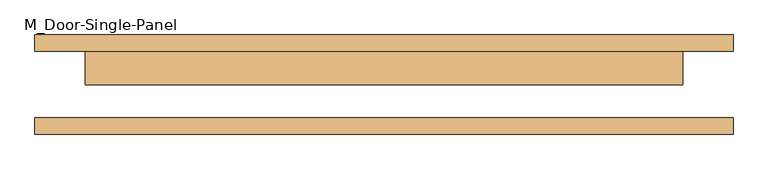
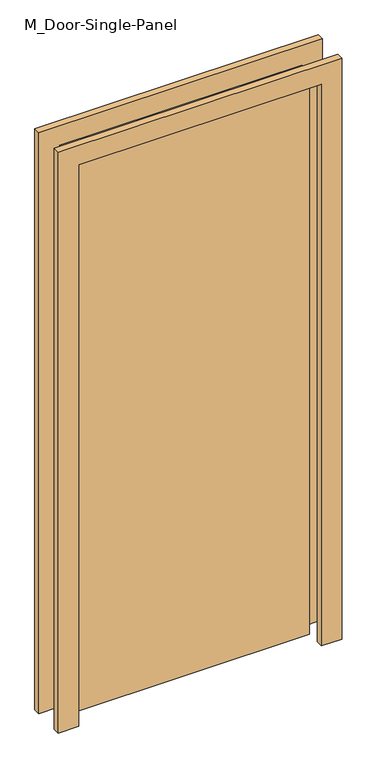
"""IFC4 building model written with IfcOpenShell, lengths in millimetres: door geometry, M_Door-Single-Panel."""

import ifcopenshell
import ifcopenshell.guid

model = None  # the IFC model being written
_history = None  # IfcOwnerHistory: only IFC2X3 demands one
_inside = {}  # id of a spatial element -> (the spatial element, [elements in it])
_under = {}  # id of a project, library or spatial element -> (it, [spatial elements below it])
_declared = {}  # id of a project -> (the project, [libraries it declares])
_typed = {}  # id of a type object -> (the type object, [elements of that type])
_made_of = {}  # id of a material, layer set ... -> (it, [elements and type objects made of it])


def new_model(schema):
    """Start an empty IFC model of exactly this schema.

    Asked for "IFC4X3", IfcOpenShell would pick the latest addendum, in which some entities
    have other attributes; the version numbers below select the first issue.
    IFC2X3 requires an IfcOwnerHistory on every rooted entity: one is made here for all.
    """
    global model, _history
    if schema == "IFC4X3":
        model = ifcopenshell.file(schema_version=(4, 3, 0, 0))
    else:
        model = ifcopenshell.file(schema=schema)
    _inside.clear()
    _under.clear()
    _declared.clear()
    _typed.clear()
    _made_of.clear()
    _history = None
    if model.schema == "IFC2X3":
        org = make("IfcOrganization", Name="unknown")
        user = make(
            "IfcPersonAndOrganization",
            ThePerson=make("IfcPerson", FamilyName="unknown"),
            TheOrganization=org,
        )
        app = make(
            "IfcApplication",
            ApplicationDeveloper=org,
            Version="unknown",
            ApplicationFullName="unknown",
            ApplicationIdentifier="unknown",
        )
        _history = make(
            "IfcOwnerHistory",
            OwningUser=user,
            OwningApplication=app,
            ChangeAction="ADDED",
            CreationDate=0,
        )
    return model


def make(cls, **values):
    """One entity of the class cls with the attributes given. An attribute that is None is left unset."""
    return model.create_entity(
        cls, **{name: value for name, value in values.items() if value is not None}
    )


def rooted(cls, **values):
    """An entity with a GlobalId (a new one), such as an element, a storey or a relation."""
    return make(cls, GlobalId=ifcopenshell.guid.new(), OwnerHistory=_history, **values)


def si_unit(unit_type, name, prefix=None):
    """IfcSIUnit, for example si_unit("LENGTHUNIT", "METRE", prefix="MILLI")."""
    return make("IfcSIUnit", UnitType=unit_type, Prefix=prefix, Name=name)


def assignment(units):
    """IfcUnitAssignment: the units of a project."""
    return None if units is None else make("IfcUnitAssignment", Units=units)


def point(xyz):
    """IfcCartesianPoint."""
    return None if xyz is None else make("IfcCartesianPoint", Coordinates=xyz)


def direction(xyz):
    """IfcDirection."""
    return None if xyz is None else make("IfcDirection", DirectionRatios=xyz)


def frame(location, z_axis=None, x_axis=None):
    """IfcAxis2Placement3D, a coordinate frame: its origin and axes. An axis left out is left unset."""
    return make(
        "IfcAxis2Placement3D",
        Location=point(location),
        Axis=direction(z_axis),
        RefDirection=direction(x_axis),
    )


def origin():
    """The frame at (0, 0, 0) with its axes left unset."""
    return frame((0.0, 0.0, 0.0))


def origin_with_axes():
    """The frame at (0, 0, 0) with the z axis (0, 0, 1) and the x axis (1, 0, 0) written out."""
    return frame((0.0, 0.0, 0.0), z_axis=(0.0, 0.0, 1.0), x_axis=(1.0, 0.0, 0.0))


def place(relative_to, where):
    """IfcLocalPlacement: puts the frame where relative to a parent placement (None: the world)."""
    return make(
        "IfcLocalPlacement", PlacementRelTo=relative_to, RelativePlacement=where
    )


def context(
    kind, dimensions, precision=None, world=None, true_north=None, identifier=None
):
    """IfcGeometricRepresentationContext, for example the 3D "Model" context."""
    return make(
        "IfcGeometricRepresentationContext",
        ContextIdentifier=identifier,
        ContextType=kind,
        CoordinateSpaceDimension=dimensions,
        Precision=precision,
        WorldCoordinateSystem=world,
        TrueNorth=true_north,
    )


def project(units=None, contexts=None):
    """IfcProject with its units and contexts."""
    return rooted(
        "IfcProject",
        Name="project",
        RepresentationContexts=contexts,
        UnitsInContext=assignment(units),
    )


def spatial(cls, under=None, at=None, **own):
    """A site, building, storey or space (cls), placed at a placement, below another one or the project."""
    s = rooted(cls, ObjectPlacement=at, **own)
    if under is not None:
        _under.setdefault(under.id(), (under, []))[1].append(s)
    return s


def polyline(points):
    """IfcPolyline through the points."""
    return make("IfcPolyline", Points=[point(p) for p in points])


def outline(outer, holes=None, kind="AREA"):
    """IfcArbitraryClosedProfileDef: a profile drawn as a closed curve; with holes, ...WithVoids."""
    if holes is None:
        return make("IfcArbitraryClosedProfileDef", ProfileType=kind, OuterCurve=outer)
    return make(
        "IfcArbitraryProfileDefWithVoids",
        ProfileType=kind,
        OuterCurve=outer,
        InnerCurves=holes,
    )


def extrude(swept, where, along, depth):
    """IfcExtrudedAreaSolid: the profile swept, set in the frame where, extruded along a direction by depth."""
    return make(
        "IfcExtrudedAreaSolid",
        SweptArea=swept,
        Position=where,
        ExtrudedDirection=direction(along),
        Depth=depth,
    )


def shape(context_of_items, identifier, shape_type, items):
    """IfcShapeRepresentation: the items that make up one representation, for example the "Body"."""
    return make(
        "IfcShapeRepresentation",
        ContextOfItems=context_of_items,
        RepresentationIdentifier=identifier,
        RepresentationType=shape_type,
        Items=items,
    )


def source(mapping_origin, context_of_items, identifier, shape_type, items):
    """IfcRepresentationMap: a shape defined once, which mapped items show again and again."""
    return make(
        "IfcRepresentationMap",
        MappingOrigin=mapping_origin,
        MappedRepresentation=shape(context_of_items, identifier, shape_type, items),
    )


def transform(
    local_origin,
    x_axis=None,
    y_axis=None,
    z_axis=None,
    scale=None,
    scale2=None,
    scale3=None,
    uniform=True,
):
    """IfcCartesianTransformationOperator3D, or its non-uniform kind. x_axis, y_axis, z_axis: its Axis1, 2, 3."""
    if uniform:
        return make(
            "IfcCartesianTransformationOperator3D",
            Axis1=direction(x_axis),
            Axis2=direction(y_axis),
            LocalOrigin=point(local_origin),
            Scale=scale,
            Axis3=direction(z_axis),
        )
    return make(
        "IfcCartesianTransformationOperator3DnonUniform",
        Axis1=direction(x_axis),
        Axis2=direction(y_axis),
        LocalOrigin=point(local_origin),
        Scale=scale,
        Axis3=direction(z_axis),
        Scale2=scale2,
        Scale3=scale3,
    )


def mapped(mapping_source, mapping_target):
    """IfcMappedItem: shows the shape of a source again, moved by a transform."""
    return make(
        "IfcMappedItem", MappingSource=mapping_source, MappingTarget=mapping_target
    )


def made_of(thing, what):
    """Note that an element or type object is made of a material, layer set ...; save() writes the relation."""
    if what is not None:
        _made_of.setdefault(what.id(), (what, []))[1].append(thing)
    return thing


def element(
    cls,
    number,
    at=None,
    inside=None,
    cuts=None,
    type_object=None,
    material=None,
    context=None,
    identifier="Body",
    shape_type=None,
    held_by="IfcProductDefinitionShape",
    body=None,
    shapes=None,
    **own,
):
    """One element of the class cls, such as IfcWall. Its Tag is "e" and its number.

    at: its placement. inside: the storey or other place that contains it. cuts: it is an
    opening in that element (IfcRelVoidsElement). A single representation is given by context,
    identifier, shape_type and body (its items); several are given by shapes. held_by: the class
    of the entity that holds the representations. save() writes the other relations.
    """
    e = rooted(cls, Tag="e%d" % number, ObjectPlacement=at, **own)
    if body is not None:
        shapes = [shape(context, identifier, shape_type, body)]
    if shapes is not None:
        e.Representation = make(held_by, Representations=shapes)
    if inside is not None:
        _inside.setdefault(inside.id(), (inside, []))[1].append(e)
    if cuts is not None:
        rooted(
            "IfcRelVoidsElement", RelatingBuildingElement=cuts, RelatedOpeningElement=e
        )
    if type_object is not None:
        _typed.setdefault(type_object.id(), (type_object, []))[1].append(e)
    return made_of(e, material)


def aggregate(whole, parts):
    """IfcRelAggregates: a whole, such as a stair, and the parts it consists of."""
    return rooted("IfcRelAggregates", RelatingObject=whole, RelatedObjects=parts)


def save(model, path):
    """Write the relations noted so far, then the file.

    IfcRelAggregates (storeys below a building ...), IfcRelContainedInSpatialStructure (elements
    in a storey), IfcRelDefinesByType, IfcRelAssociatesMaterial and IfcRelDeclares: one each for
    every whole, place, type object, material and project.
    """
    for whole, parts in _under.values():
        aggregate(whole, parts)
    for where, things in _inside.values():
        rooted(
            "IfcRelContainedInSpatialStructure",
            RelatedElements=things,
            RelatingStructure=where,
        )
    for kind, things in _typed.values():
        rooted("IfcRelDefinesByType", RelatedObjects=things, RelatingType=kind)
    for what, things in _made_of.values():
        rooted("IfcRelAssociatesMaterial", RelatedObjects=things, RelatingMaterial=what)
    for by, libraries in _declared.values():
        rooted("IfcRelDeclares", RelatingContext=by, RelatedDefinitions=libraries)
    model.write(path)


def m_door_single_panel_270f3664(model_context):
    return source(origin(), model_context, "Body", "SweptSolid", [
        extrude(outline(polyline([(450.0, 0.0), (-450.0, 0.0), (-450.0, 50.0), (450.0, 50.0), (450.0, 0.0)])), origin_with_axes(), (0.0, 0.0, 1.0), 2200.0),
        extrude(outline(polyline([(2276.2, -526.2), (0.0, -526.2), (0.0, -450.0), (2200.0, -450.0), (2200.0, 450.0), (0.0, 450.0), (0.0, 526.2), (2276.2, 526.2), (2276.2, -526.2)])), frame((0.0, 50.0, 0.0), z_axis=(0.0, 1.0, 0.0), x_axis=(0.0, 0.0, 1.0)), (0.0, 0.0, 1.0), 25.0),
        extrude(outline(polyline([(2276.2, 526.2), (2276.2, -526.2), (0.0, -526.2), (0.0, -450.0), (2200.0, -450.0), (2200.0, 450.0), (0.0, 450.0), (0.0, 526.2), (2276.2, 526.2)])), frame((0.0, -75.0, 0.0), z_axis=(0.0, 1.0, 0.0), x_axis=(0.0, 0.0, 1.0)), (0.0, 0.0, 1.0), 25.0),
    ])


if __name__ == "__main__":
    model = new_model("IFC4")
    model_context = context("Model", 3, world=origin())
    ifc_project = project(units=[si_unit("LENGTHUNIT", "METRE", prefix="MILLI")], contexts=[model_context])
    site = spatial("IfcSite", under=ifc_project)
    building = spatial("IfcBuilding", under=site)
    placement = place(None, origin())
    m_door_single_panel_shape = m_door_single_panel_270f3664(model_context)
    element("IfcDoor", 1, ObjectType="M_Door-Single-Panel", at=placement, inside=building, context=model_context, shape_type="MappedRepresentation", body=[
        mapped(m_door_single_panel_shape, transform((0.0, 0.0, 0.0), x_axis=(1.0, 0.0, 0.0), y_axis=(0.0, 1.0, 0.0), z_axis=(0.0, 0.0, 1.0))),
    ])
    save(model, "model.ifc")
